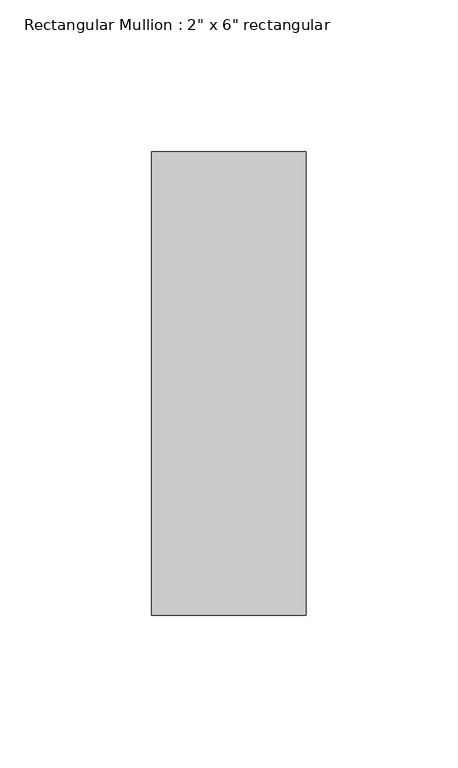
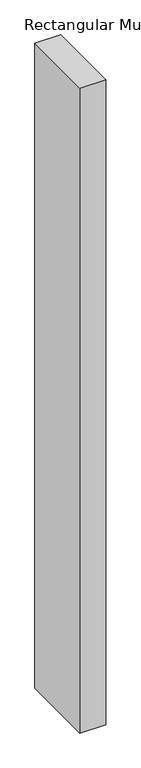
"""IFC4 building model written with IfcOpenShell, lengths in millimetres: member geometry."""

import ifcopenshell
import ifcopenshell.guid

model = None  # the IFC model being written
_history = None  # IfcOwnerHistory: only IFC2X3 demands one
_inside = {}  # id of a spatial element -> (the spatial element, [elements in it])
_under = {}  # id of a project, library or spatial element -> (it, [spatial elements below it])
_declared = {}  # id of a project -> (the project, [libraries it declares])
_typed = {}  # id of a type object -> (the type object, [elements of that type])
_made_of = {}  # id of a material, layer set ... -> (it, [elements and type objects made of it])


def new_model(schema):
    """Start an empty IFC model of exactly this schema.

    Asked for "IFC4X3", IfcOpenShell would pick the latest addendum, in which some entities
    have other attributes; the version numbers below select the first issue.
    IFC2X3 requires an IfcOwnerHistory on every rooted entity: one is made here for all.
    """
    global model, _history
    if schema == "IFC4X3":
        model = ifcopenshell.file(schema_version=(4, 3, 0, 0))
    else:
        model = ifcopenshell.file(schema=schema)
    _inside.clear()
    _under.clear()
    _declared.clear()
    _typed.clear()
    _made_of.clear()
    _history = None
    if model.schema == "IFC2X3":
        org = make("IfcOrganization", Name="unknown")
        user = make(
            "IfcPersonAndOrganization",
            ThePerson=make("IfcPerson", FamilyName="unknown"),
            TheOrganization=org,
        )
        app = make(
            "IfcApplication",
            ApplicationDeveloper=org,
            Version="unknown",
            ApplicationFullName="unknown",
            ApplicationIdentifier="unknown",
        )
        _history = make(
            "IfcOwnerHistory",
            OwningUser=user,
            OwningApplication=app,
            ChangeAction="ADDED",
            CreationDate=0,
        )
    return model


def make(cls, **values):
    """One entity of the class cls with the attributes given. An attribute that is None is left unset."""
    return model.create_entity(
        cls, **{name: value for name, value in values.items() if value is not None}
    )


def rooted(cls, **values):
    """An entity with a GlobalId (a new one), such as an element, a storey or a relation."""
    return make(cls, GlobalId=ifcopenshell.guid.new(), OwnerHistory=_history, **values)


def si_unit(unit_type, name, prefix=None):
    """IfcSIUnit, for example si_unit("LENGTHUNIT", "METRE", prefix="MILLI")."""
    return make("IfcSIUnit", UnitType=unit_type, Prefix=prefix, Name=name)


def assignment(units):
    """IfcUnitAssignment: the units of a project."""
    return None if units is None else make("IfcUnitAssignment", Units=units)


def point(xyz):
    """IfcCartesianPoint."""
    return None if xyz is None else make("IfcCartesianPoint", Coordinates=xyz)


def direction(xyz):
    """IfcDirection."""
    return None if xyz is None else make("IfcDirection", DirectionRatios=xyz)


def frame(location, z_axis=None, x_axis=None):
    """IfcAxis2Placement3D, a coordinate frame: its origin and axes. An axis left out is left unset."""
    return make(
        "IfcAxis2Placement3D",
        Location=point(location),
        Axis=direction(z_axis),
        RefDirection=direction(x_axis),
    )


def origin():
    """The frame at (0, 0, 0) with its axes left unset."""
    return frame((0.0, 0.0, 0.0))


def place(relative_to, where):
    """IfcLocalPlacement: puts the frame where relative to a parent placement (None: the world)."""
    return make(
        "IfcLocalPlacement", PlacementRelTo=relative_to, RelativePlacement=where
    )


def context(
    kind, dimensions, precision=None, world=None, true_north=None, identifier=None
):
    """IfcGeometricRepresentationContext, for example the 3D "Model" context."""
    return make(
        "IfcGeometricRepresentationContext",
        ContextIdentifier=identifier,
        ContextType=kind,
        CoordinateSpaceDimension=dimensions,
        Precision=precision,
        WorldCoordinateSystem=world,
        TrueNorth=true_north,
    )


def project(units=None, contexts=None):
    """IfcProject with its units and contexts."""
    return rooted(
        "IfcProject",
        Name="project",
        RepresentationContexts=contexts,
        UnitsInContext=assignment(units),
    )


def spatial(cls, under=None, at=None, **own):
    """A site, building, storey or space (cls), placed at a placement, below another one or the project."""
    s = rooted(cls, ObjectPlacement=at, **own)
    if under is not None:
        _under.setdefault(under.id(), (under, []))[1].append(s)
    return s


def polyline(points):
    """IfcPolyline through the points."""
    return make("IfcPolyline", Points=[point(p) for p in points])


def outline(outer, holes=None, kind="AREA"):
    """IfcArbitraryClosedProfileDef: a profile drawn as a closed curve; with holes, ...WithVoids."""
    if holes is None:
        return make("IfcArbitraryClosedProfileDef", ProfileType=kind, OuterCurve=outer)
    return make(
        "IfcArbitraryProfileDefWithVoids",
        ProfileType=kind,
        OuterCurve=outer,
        InnerCurves=holes,
    )


def extrude(swept, where, along, depth):
    """IfcExtrudedAreaSolid: the profile swept, set in the frame where, extruded along a direction by depth."""
    return make(
        "IfcExtrudedAreaSolid",
        SweptArea=swept,
        Position=where,
        ExtrudedDirection=direction(along),
        Depth=depth,
    )


def shape(context_of_items, identifier, shape_type, items):
    """IfcShapeRepresentation: the items that make up one representation, for example the "Body"."""
    return make(
        "IfcShapeRepresentation",
        ContextOfItems=context_of_items,
        RepresentationIdentifier=identifier,
        RepresentationType=shape_type,
        Items=items,
    )


def source(mapping_origin, context_of_items, identifier, shape_type, items):
    """IfcRepresentationMap: a shape defined once, which mapped items show again and again."""
    return make(
        "IfcRepresentationMap",
        MappingOrigin=mapping_origin,
        MappedRepresentation=shape(context_of_items, identifier, shape_type, items),
    )


def transform(
    local_origin,
    x_axis=None,
    y_axis=None,
    z_axis=None,
    scale=None,
    scale2=None,
    scale3=None,
    uniform=True,
):
    """IfcCartesianTransformationOperator3D, or its non-uniform kind. x_axis, y_axis, z_axis: its Axis1, 2, 3."""
    if uniform:
        return make(
            "IfcCartesianTransformationOperator3D",
            Axis1=direction(x_axis),
            Axis2=direction(y_axis),
            LocalOrigin=point(local_origin),
            Scale=scale,
            Axis3=direction(z_axis),
        )
    return make(
        "IfcCartesianTransformationOperator3DnonUniform",
        Axis1=direction(x_axis),
        Axis2=direction(y_axis),
        LocalOrigin=point(local_origin),
        Scale=scale,
        Axis3=direction(z_axis),
        Scale2=scale2,
        Scale3=scale3,
    )


def mapped(mapping_source, mapping_target):
    """IfcMappedItem: shows the shape of a source again, moved by a transform."""
    return make(
        "IfcMappedItem", MappingSource=mapping_source, MappingTarget=mapping_target
    )


def made_of(thing, what):
    """Note that an element or type object is made of a material, layer set ...; save() writes the relation."""
    if what is not None:
        _made_of.setdefault(what.id(), (what, []))[1].append(thing)
    return thing


def element(
    cls,
    number,
    at=None,
    inside=None,
    cuts=None,
    type_object=None,
    material=None,
    context=None,
    identifier="Body",
    shape_type=None,
    held_by="IfcProductDefinitionShape",
    body=None,
    shapes=None,
    **own,
):
    """One element of the class cls, such as IfcWall. Its Tag is "e" and its number.

    at: its placement. inside: the storey or other place that contains it. cuts: it is an
    opening in that element (IfcRelVoidsElement). A single representation is given by context,
    identifier, shape_type and body (its items); several are given by shapes. held_by: the class
    of the entity that holds the representations. save() writes the other relations.
    """
    e = rooted(cls, Tag="e%d" % number, ObjectPlacement=at, **own)
    if body is not None:
        shapes = [shape(context, identifier, shape_type, body)]
    if shapes is not None:
        e.Representation = make(held_by, Representations=shapes)
    if inside is not None:
        _inside.setdefault(inside.id(), (inside, []))[1].append(e)
    if cuts is not None:
        rooted(
            "IfcRelVoidsElement", RelatingBuildingElement=cuts, RelatedOpeningElement=e
        )
    if type_object is not None:
        _typed.setdefault(type_object.id(), (type_object, []))[1].append(e)
    return made_of(e, material)


def aggregate(whole, parts):
    """IfcRelAggregates: a whole, such as a stair, and the parts it consists of."""
    return rooted("IfcRelAggregates", RelatingObject=whole, RelatedObjects=parts)


def save(model, path):
    """Write the relations noted so far, then the file.

    IfcRelAggregates (storeys below a building ...), IfcRelContainedInSpatialStructure (elements
    in a storey), IfcRelDefinesByType, IfcRelAssociatesMaterial and IfcRelDeclares: one each for
    every whole, place, type object, material and project.
    """
    for whole, parts in _under.values():
        aggregate(whole, parts)
    for where, things in _inside.values():
        rooted(
            "IfcRelContainedInSpatialStructure",
            RelatedElements=things,
            RelatingStructure=where,
        )
    for kind, things in _typed.values():
        rooted("IfcRelDefinesByType", RelatedObjects=things, RelatingType=kind)
    for what, things in _made_of.values():
        rooted("IfcRelAssociatesMaterial", RelatedObjects=things, RelatingMaterial=what)
    for by, libraries in _declared.values():
        rooted("IfcRelDeclares", RelatingContext=by, RelatedDefinitions=libraries)
    model.write(path)


def member_7edaef54(model_context):
    return source(origin(), model_context, "Body", "SweptSolid", [
        extrude(outline(polyline([(25.4, 76.2), (25.4, -76.2), (-25.4, -76.2), (-25.4, 76.2), (25.4, 76.2)])), frame((0.0, 0.0, -1336.675), z_axis=(0.0, 0.0, 1.0), x_axis=(1.0, 0.0, 0.0)), (0.0, 0.0, 1.0), 1336.675),
    ])


if __name__ == "__main__":
    model = new_model("IFC4")
    model_context = context("Model", 3, world=origin())
    ifc_project = project(units=[si_unit("LENGTHUNIT", "METRE", prefix="MILLI")], contexts=[model_context])
    site = spatial("IfcSite", under=ifc_project)
    building = spatial("IfcBuilding", under=site)
    placement = place(None, origin())
    member_shape = member_7edaef54(model_context)
    element("IfcMember", 1, ObjectType="Rectangular Mullion : 2\" x 6\" rectangular", at=placement, inside=building, context=model_context, shape_type="MappedRepresentation", body=[
        mapped(member_shape, transform((0.0, 0.0, 0.0), x_axis=(1.0, 0.0, 0.0), y_axis=(0.0, 1.0, 0.0), z_axis=(0.0, 0.0, 1.0))),
    ])
    save(model, "model.ifc")
